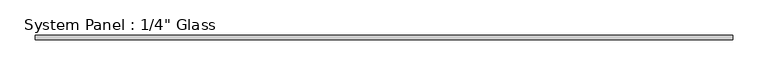
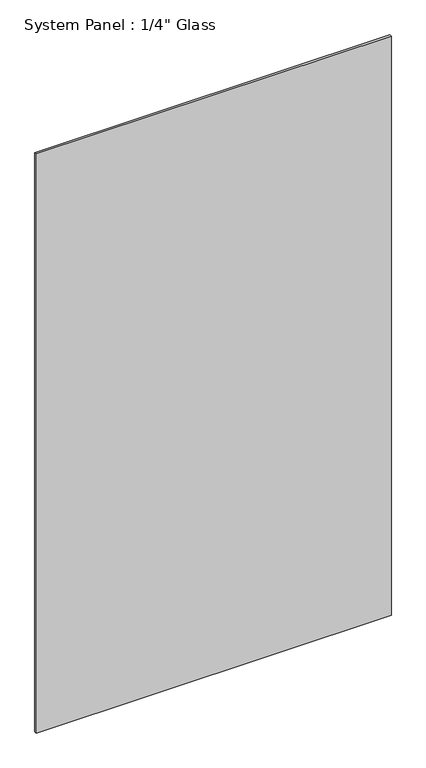
"""IFC4 building model written with IfcOpenShell, lengths in millimetres: plate geometry."""

from ifc_helpers import new_model, si_unit, origin, origin_with_axes, place, context, project, spatial, polyline, outline, extrude, source, transform, mapped, element, save


def plate_e2a1ef40(model_context):
    return source(origin(), model_context, "Body", "SweptSolid", [
        extrude(outline(polyline([(491.8433528, -3.175), (-491.8433528, -3.175), (-491.8433528, 3.175), (491.8433528, 3.175), (491.8433528, -3.175)])), origin_with_axes(), (0.0, 0.0, 1.0), 1695.45),
    ])


if __name__ == "__main__":
    model = new_model("IFC4")
    model_context = context("Model", 3, world=origin())
    ifc_project = project(units=[si_unit("LENGTHUNIT", "METRE", prefix="MILLI")], contexts=[model_context])
    site = spatial("IfcSite", under=ifc_project)
    building = spatial("IfcBuilding", under=site)
    placement = place(None, origin())
    plate_shape = plate_e2a1ef40(model_context)
    element("IfcPlate", 1, ObjectType="System Panel : 1/4\" Glass", at=placement, inside=building, context=model_context, shape_type="MappedRepresentation", body=[
        mapped(plate_shape, transform((0.0, 0.0, 0.0), x_axis=(1.0, 0.0, 0.0), y_axis=(0.0, 1.0, 0.0), z_axis=(0.0, 0.0, 1.0))),
    ])
    save(model, "model.ifc")
